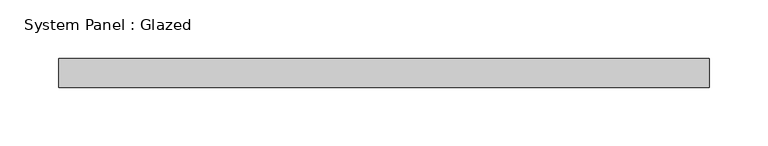
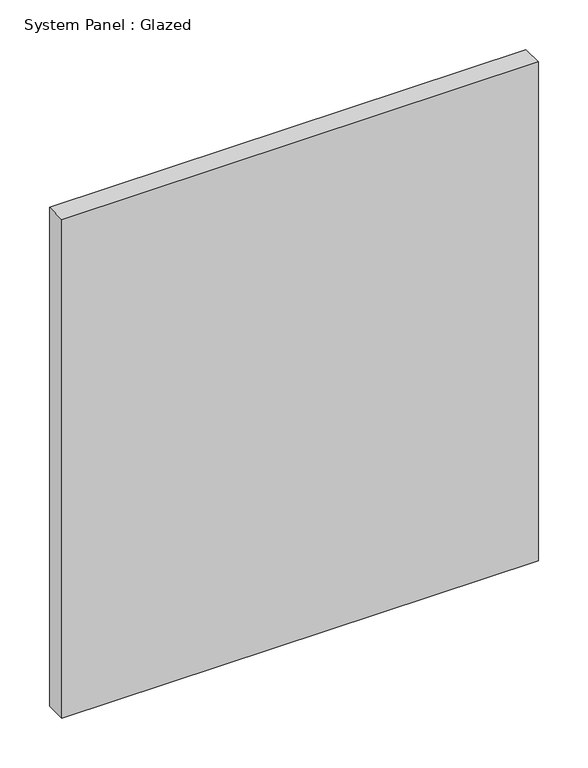
"""IFC4 building model written with IfcOpenShell, lengths in millimetres: plate geometry, System Panel : Glazed."""

from ifc_helpers import new_model, si_unit, origin, origin_with_axes, place, context, project, spatial, polyline, outline, extrude, source, transform, mapped, element, save


def system_panel_glazed_f593f965(model_context):
    return source(origin(), model_context, "Body", "SweptSolid", [
        extrude(outline(polyline([(278.0, 24.5), (-278.0, 24.5), (-278.0, 49.5), (278.0, 49.5), (278.0, 24.5)])), origin_with_axes(), (0.0, 0.0, 1.0), 615.0),
    ])


if __name__ == "__main__":
    model = new_model("IFC4")
    model_context = context("Model", 3, world=origin())
    ifc_project = project(units=[si_unit("LENGTHUNIT", "METRE", prefix="MILLI")], contexts=[model_context])
    site = spatial("IfcSite", under=ifc_project)
    building = spatial("IfcBuilding", under=site)
    placement = place(None, origin())
    system_panel_glazed_shape = system_panel_glazed_f593f965(model_context)
    element("IfcPlate", 1, ObjectType="System Panel : Glazed", at=placement, inside=building, context=model_context, shape_type="MappedRepresentation", body=[
        mapped(system_panel_glazed_shape, transform((0.0, 0.0, 0.0), x_axis=(1.0, 0.0, 0.0), y_axis=(0.0, 1.0, 0.0), z_axis=(0.0, 0.0, 1.0))),
    ])
    save(model, "model.ifc")
